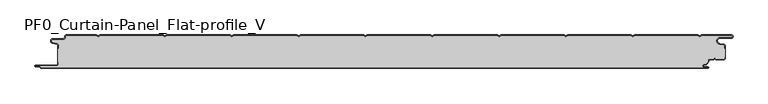
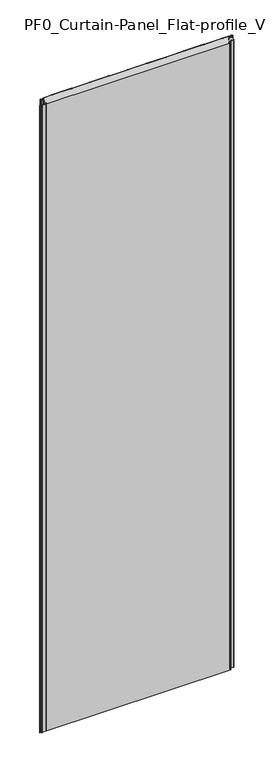
"""IFC4 building model written with IfcOpenShell, lengths in millimetres: plate geometry, PF0_Curtain-Panel_Flat-profile_V."""

from ifc_helpers import new_model, si_unit, point, frame, frame_2d, origin, origin_with_axes, place, context, project, spatial, polyline, circle_curve, trimmed, segment, composite_curve, outline, extrude, source, transform, mapped, element, save
from ifc_brep_helpers import plane_surface, cylinder_surface, revolved_surface, advanced_brep


def pf0_curtain_panel_flat_profile_v_b3a8afa6(model_context):
    return source(origin(), model_context, "Body", "SolidModel", [
        advanced_brep(
        [(-500.0, -15.878557, 3500.0), (-500.0, -20.0, 3500.0), (-499.2, -20.0, 3500.0), (-499.2, -15.878557, 3500.0), (-501.370137, -13.1503208, 3500.0), (-507.529863, -11.728236, 3500.0), (-506.9, -6.2, 3500.0), (-491.4, -6.2, 3500.0), (-488.6, -3.4, 3500.0), (-488.6, -2.0, 3500.0), (-487.4, -0.8, 3500.0), (-442.3143588, -0.8, 3500.0), (-439.4, -2.482606, 3500.0), (-436.4856412, -0.8, 3500.0), (-342.3143588, -0.8, 3500.0), (-339.4, -2.482606, 3500.0), (-336.4856412, -0.8, 3500.0), (-242.3143588, -0.8, 3500.0), (-239.4, -2.482606, 3500.0), (-236.4856412, -0.8, 3500.0), (-142.3143588, -0.8, 3500.0), (-139.4, -2.482606, 3500.0), (-136.4856412, -0.8, 3500.0), (-42.3143588, -0.8, 3500.0), (-39.4, -2.482606, 3500.0), (-36.4856412, -0.8, 3500.0), (57.6856412, -0.8, 3500.0), (60.6, -2.482606, 3500.0), (63.5143588, -0.8, 3500.0), (157.6856412, -0.8, 3500.0), (160.6, -2.482606, 3500.0), (163.5143588, -0.8, 3500.0), (257.6856412, -0.8, 3500.0), (260.6, -2.482606, 3500.0), (263.5143588, -0.8, 3500.0), (357.6856412, -0.8, 3500.0), (360.6, -2.482606, 3500.0), (363.5143588, -0.8, 3500.0), (457.6856412, -0.8, 3500.0), (460.6, -2.482606, 3500.0), (463.5143588, -0.8, 3500.0), (508.1, -0.8, 3500.0), (508.1, -4.2, 3500.0), (491.1, -4.2, 3500.0), (490.2664884, -13.7270771, 3500.0), (496.7125669, -14.8636953, 3500.0), (498.2, -16.6363492, 3500.0), (498.2, -20.0, 3500.0), (499.0, -20.0, 3500.0), (499.0, -16.6363492, 3500.0), (496.8514855, -14.0758491, 3500.0), (490.405407, -12.939231, 3500.0), (491.1, -5.0, 3500.0), (508.1, -5.0, 3500.0), (510.6, -2.5, 3500.0), (508.1, 0.0, 3500.0), (463.2999995, 0.0, 3500.0), (460.6, -1.5588455, 3500.0), (457.9000005, 0.0, 3500.0), (363.2999995, 0.0, 3500.0), (360.6, -1.5588455, 3500.0), (357.9000005, 0.0, 3500.0), (263.2999995, 0.0, 3500.0), (260.6, -1.5588455, 3500.0), (257.9000005, 0.0, 3500.0), (163.2999995, 0.0, 3500.0), (160.6, -1.5588455, 3500.0), (157.9000005, 0.0, 3500.0), (63.2999995, 0.0, 3500.0), (60.6, -1.5588455, 3500.0), (57.9000005, 0.0, 3500.0), (-36.7000005, 0.0, 3500.0), (-39.4, -1.5588455, 3500.0), (-42.0999995, 0.0, 3500.0), (-136.7000005, 0.0, 3500.0), (-139.4, -1.5588455, 3500.0), (-142.0999995, 0.0, 3500.0), (-236.7000005, 0.0, 3500.0), (-239.4, -1.5588455, 3500.0), (-242.0999995, 0.0, 3500.0), (-336.7000005, 0.0, 3500.0), (-339.4, -1.5588455, 3500.0), (-342.0999995, 0.0, 3500.0), (-436.7000005, 0.0, 3500.0), (-439.4, -1.5588455, 3500.0), (-442.0999995, 0.0, 3500.0), (-487.4, 0.0, 3500.0), (-489.4, -2.0, 3500.0), (-489.4, -3.4, 3500.0), (-491.4, -5.4, 3500.0), (-506.9, -5.4, 3500.0), (-507.7098239, -12.5077322, 3500.0), (-501.5500979, -13.929817, 3500.0), (-500.0, -15.878557, 0.0), (-501.5500978, -13.9298169, 0.0), (-507.7098239, -12.507732, 0.0), (-506.9, -5.4, 0.0), (-491.4, -5.4, 0.0), (-489.4, -3.4, 0.0), (-489.4, -2.0, 0.0), (-487.4, 0.0, 0.0), (-442.0999995, 0.0, 0.0), (-439.4, -1.5588455, 0.0), (-436.7000005, 0.0, 0.0), (-342.0999995, 0.0, 0.0), (-339.4, -1.5588455, 0.0), (-336.7000005, 0.0, 0.0), (-242.0999995, 0.0, 0.0), (-239.4, -1.5588455, 0.0), (-236.7000005, 0.0, 0.0), (-142.0999995, 0.0, 0.0), (-139.4, -1.5588455, 0.0), (-136.7000005, 0.0, 0.0), (-42.0999995, 0.0, 0.0), (-39.4, -1.5588455, 0.0), (-36.7000005, 0.0, 0.0), (57.9000005, 0.0, 0.0), (60.6, -1.5588455, 0.0), (63.2999995, 0.0, 0.0), (157.9000005, 0.0, 0.0), (160.6, -1.5588455, 0.0), (163.2999995, 0.0, 0.0), (257.9000005, 0.0, 0.0), (260.6, -1.5588455, 0.0), (263.2999995, 0.0, 0.0), (357.9000005, 0.0, 0.0), (360.6, -1.5588455, 0.0), (363.2999995, 0.0, 0.0), (457.9000005, 0.0, 0.0), (460.6, -1.5588455, 0.0), (463.2999995, 0.0, 0.0), (508.1, 0.0, 0.0), (510.6, -2.5, 0.0), (508.1, -5.0, 0.0), (491.1, -5.0, 0.0), (490.405407, -12.939231, 0.0), (496.8514855, -14.0758491, 0.0), (499.0, -16.6363492, 0.0), (499.0, -20.0, 0.0), (498.2, -20.0, 0.0), (498.2, -16.6363492, 0.0), (496.7125669, -14.8636953, 0.0), (490.2664884, -13.7270772, 0.0), (491.1, -4.2, 0.0), (508.1, -4.2, 0.0), (508.1, -0.8, 0.0), (463.5143588, -0.8, 0.0), (460.6, -2.482606, 0.0), (457.6856412, -0.8, 0.0), (363.5143588, -0.8, 0.0), (360.6, -2.482606, 0.0), (357.6856412, -0.8, 0.0), (263.5143588, -0.8, 0.0), (260.6, -2.482606, 0.0), (257.6856412, -0.8, 0.0), (163.5143588, -0.8, 0.0), (160.6, -2.482606, 0.0), (157.6856412, -0.8, 0.0), (63.5143588, -0.8, 0.0), (60.6, -2.482606, 0.0), (57.6856412, -0.8, 0.0), (-36.4856412, -0.8, 0.0), (-39.4, -2.482606, 0.0), (-42.3143588, -0.8, 0.0), (-136.4856412, -0.8, 0.0), (-139.4, -2.482606, 0.0), (-142.3143588, -0.8, 0.0), (-236.4856412, -0.8, 0.0), (-239.4, -2.482606, 0.0), (-242.3143588, -0.8, 0.0), (-336.4856412, -0.8, 0.0), (-339.4, -2.482606, 0.0), (-342.3143588, -0.8, 0.0), (-436.4856412, -0.8, 0.0), (-439.4, -2.482606, 0.0), (-442.3143588, -0.8, 0.0), (-487.4, -0.8, 0.0), (-488.6, -2.0, 0.0), (-488.6, -3.4, 0.0), (-491.4, -6.2, 0.0), (-506.9, -6.2, 0.0), (-507.529863, -11.7282362, 0.0), (-501.370137, -13.150321, 0.0), (-499.2, -15.878557, 0.0), (-499.2, -20.0, 0.0), (-500.0, -20.0, 0.0)],
        [
            (0, 1),
            (1, 2),
            (2, 3),
            (3, 4, circle_curve(frame((-502.0, -15.878557, 3500.0), z_axis=(0.0, 0.0, 1.0), x_axis=(1.0, 0.0, 0.0)), 2.8)),
            (4, 5),
            (5, 6, circle_curve(frame((-506.9, -9.0, 3500.0), z_axis=(0.0, 0.0, -1.0), x_axis=(1.0, 0.0, 0.0)), 2.8)),
            (6, 7),
            (7, 8, circle_curve(frame((-491.4, -3.4, 3500.0), z_axis=(0.0, 0.0, 1.0), x_axis=(1.0, 0.0, 0.0)), 2.8)),
            (8, 9),
            (9, 10, circle_curve(frame((-487.4, -2.0, 3500.0), z_axis=(0.0, 0.0, -1.0), x_axis=(1.0, 0.0, 0.0)), 1.2)),
            (10, 11),
            (11, 12),
            (12, 13),
            (13, 14),
            (14, 15),
            (15, 16),
            (16, 17),
            (17, 18),
            (18, 19),
            (19, 20),
            (20, 21),
            (21, 22),
            (22, 23),
            (23, 24),
            (24, 25),
            (25, 26),
            (26, 27),
            (27, 28),
            (28, 29),
            (29, 30),
            (30, 31),
            (31, 32),
            (32, 33),
            (33, 34),
            (34, 35),
            (35, 36),
            (36, 37),
            (37, 38),
            (38, 39),
            (39, 40),
            (40, 41),
            (41, 42, circle_curve(frame((508.1, -2.5, 3500.0), z_axis=(0.0, 0.0, -1.0), x_axis=(1.0, 0.0, 0.0)), 1.7)),
            (42, 43),
            (43, 44, circle_curve(frame((491.1, -9.0, 3500.0), z_axis=(0.0, 0.0, 1.0), x_axis=(1.0, 0.0, 0.0)), 4.8)),
            (44, 45),
            (45, 46, circle_curve(frame((496.4, -16.6363492, 3500.0), z_axis=(0.0, 0.0, -1.0), x_axis=(1.0, 0.0, 0.0)), 1.8)),
            (46, 47),
            (47, 48),
            (48, 49),
            (49, 50, circle_curve(frame((496.4, -16.6363492, 3500.0), z_axis=(0.0, 0.0, 1.0), x_axis=(1.0, 0.0, 0.0)), 2.6)),
            (50, 51),
            (51, 52, circle_curve(frame((491.1, -9.0, 3500.0), z_axis=(0.0, 0.0, -1.0), x_axis=(1.0, 0.0, 0.0)), 4.0)),
            (52, 53),
            (53, 54, circle_curve(frame((508.1, -2.5, 3500.0), z_axis=(0.0, 0.0, 1.0), x_axis=(1.0, 0.0, 0.0)), 2.5)),
            (54, 55, circle_curve(frame((508.1, -2.5, 3500.0), z_axis=(0.0, 0.0, 1.0), x_axis=(1.0, 0.0, 0.0)), 2.5)),
            (55, 56),
            (56, 57),
            (57, 58),
            (58, 59),
            (59, 60),
            (60, 61),
            (61, 62),
            (62, 63),
            (63, 64),
            (64, 65),
            (65, 66),
            (66, 67),
            (67, 68),
            (68, 69),
            (69, 70),
            (70, 71),
            (71, 72),
            (72, 73),
            (73, 74),
            (74, 75),
            (75, 76),
            (76, 77),
            (77, 78),
            (78, 79),
            (79, 80),
            (80, 81),
            (81, 82),
            (82, 83),
            (83, 84),
            (84, 85),
            (85, 86),
            (86, 87, circle_curve(frame((-487.4, -2.0, 3500.0), z_axis=(0.0, 0.0, 1.0), x_axis=(1.0, 0.0, 0.0)), 2.0)),
            (87, 88),
            (88, 89, circle_curve(frame((-491.4, -3.4, 3500.0), z_axis=(0.0, 0.0, -1.0), x_axis=(1.0, 0.0, 0.0)), 2.0)),
            (89, 90),
            (90, 91, circle_curve(frame((-506.9, -9.0, 3500.0), z_axis=(0.0, 0.0, 1.0), x_axis=(1.0, 0.0, 0.0)), 3.6)),
            (91, 92),
            (92, 0, circle_curve(frame((-502.0, -15.878557, 3500.0), z_axis=(0.0, 0.0, -1.0), x_axis=(1.0, 0.0, 0.0)), 2.0)),
            (93, 94, circle_curve(frame((-502.0, -15.878557, 0.0), z_axis=(0.0, 0.0, 1.0), x_axis=(1.0, 0.0, 0.0)), 2.0)),
            (94, 95),
            (95, 96, circle_curve(frame((-506.9, -9.0, 0.0), z_axis=(0.0, 0.0, -1.0), x_axis=(1.0, 0.0, 0.0)), 3.6)),
            (96, 97),
            (97, 98, circle_curve(frame((-491.4, -3.4, 0.0), z_axis=(0.0, 0.0, 1.0), x_axis=(1.0, 0.0, 0.0)), 2.0)),
            (98, 99),
            (99, 100, circle_curve(frame((-487.4, -2.0, 0.0), z_axis=(0.0, 0.0, -1.0), x_axis=(1.0, 0.0, 0.0)), 2.0)),
            (100, 101),
            (101, 102),
            (102, 103),
            (103, 104),
            (104, 105),
            (105, 106),
            (106, 107),
            (107, 108),
            (108, 109),
            (109, 110),
            (110, 111),
            (111, 112),
            (112, 113),
            (113, 114),
            (114, 115),
            (115, 116),
            (116, 117),
            (117, 118),
            (118, 119),
            (119, 120),
            (120, 121),
            (121, 122),
            (122, 123),
            (123, 124),
            (124, 125),
            (125, 126),
            (126, 127),
            (127, 128),
            (128, 129),
            (129, 130),
            (130, 131),
            (131, 132, circle_curve(frame((508.1, -2.5, 0.0), z_axis=(0.0, 0.0, -1.0), x_axis=(1.0, 0.0, 0.0)), 2.5)),
            (132, 133, circle_curve(frame((508.1, -2.5, 0.0), z_axis=(0.0, 0.0, -1.0), x_axis=(1.0, 0.0, 0.0)), 2.5)),
            (133, 134),
            (134, 135, circle_curve(frame((491.1, -9.0, 0.0), z_axis=(0.0, 0.0, 1.0), x_axis=(1.0, 0.0, 0.0)), 4.0)),
            (135, 136),
            (136, 137, circle_curve(frame((496.4, -16.6363492, 0.0), z_axis=(0.0, 0.0, -1.0), x_axis=(1.0, 0.0, 0.0)), 2.6)),
            (137, 138),
            (138, 139),
            (139, 140),
            (140, 141, circle_curve(frame((496.4, -16.6363492, 0.0), z_axis=(0.0, 0.0, 1.0), x_axis=(1.0, 0.0, 0.0)), 1.8)),
            (141, 142),
            (142, 143, circle_curve(frame((491.1, -9.0, 0.0), z_axis=(0.0, 0.0, -1.0), x_axis=(1.0, 0.0, 0.0)), 4.8)),
            (143, 144),
            (144, 145, circle_curve(frame((508.1, -2.5, 0.0), z_axis=(0.0, 0.0, 1.0), x_axis=(1.0, 0.0, 0.0)), 1.7)),
            (145, 146),
            (146, 147),
            (147, 148),
            (148, 149),
            (149, 150),
            (150, 151),
            (151, 152),
            (152, 153),
            (153, 154),
            (154, 155),
            (155, 156),
            (156, 157),
            (157, 158),
            (158, 159),
            (159, 160),
            (160, 161),
            (161, 162),
            (162, 163),
            (163, 164),
            (164, 165),
            (165, 166),
            (166, 167),
            (167, 168),
            (168, 169),
            (169, 170),
            (170, 171),
            (171, 172),
            (172, 173),
            (173, 174),
            (174, 175),
            (175, 176),
            (176, 177, circle_curve(frame((-487.4, -2.0, 0.0), z_axis=(0.0, 0.0, 1.0), x_axis=(1.0, 0.0, 0.0)), 1.2)),
            (177, 178),
            (178, 179, circle_curve(frame((-491.4, -3.4, 0.0), z_axis=(0.0, 0.0, -1.0), x_axis=(1.0, 0.0, 0.0)), 2.8)),
            (179, 180),
            (180, 181, circle_curve(frame((-506.9, -9.0, 0.0), z_axis=(0.0, 0.0, 1.0), x_axis=(1.0, 0.0, 0.0)), 2.8)),
            (181, 182),
            (182, 183, circle_curve(frame((-502.0, -15.878557, 0.0), z_axis=(0.0, 0.0, -1.0), x_axis=(1.0, 0.0, 0.0)), 2.8)),
            (183, 184),
            (184, 185),
            (185, 93),
            (0, 93),
            (185, 1),
            (184, 2),
            (183, 3),
            (182, 4),
            (181, 5),
            (180, 6),
            (179, 7),
            (178, 8),
            (177, 9),
            (176, 10),
            (175, 11),
            (174, 12),
            (173, 13),
            (172, 14),
            (171, 15),
            (170, 16),
            (169, 17),
            (168, 18),
            (167, 19),
            (166, 20),
            (165, 21),
            (164, 22),
            (163, 23),
            (162, 24),
            (161, 25),
            (160, 26),
            (159, 27),
            (158, 28),
            (157, 29),
            (156, 30),
            (155, 31),
            (154, 32),
            (153, 33),
            (152, 34),
            (151, 35),
            (150, 36),
            (149, 37),
            (148, 38),
            (147, 39),
            (146, 40),
            (145, 41),
            (144, 42),
            (143, 43),
            (142, 44),
            (141, 45),
            (140, 46),
            (139, 47),
            (138, 48),
            (137, 49),
            (136, 50),
            (135, 51),
            (134, 52),
            (133, 53),
            (131, 55),
            (56, 130),
            (129, 57),
            (128, 58),
            (127, 59),
            (126, 60),
            (125, 61),
            (124, 62),
            (123, 63),
            (122, 64),
            (121, 65),
            (120, 66),
            (119, 67),
            (118, 68),
            (117, 69),
            (116, 70),
            (115, 71),
            (114, 72),
            (113, 73),
            (112, 74),
            (111, 75),
            (110, 76),
            (109, 77),
            (108, 78),
            (107, 79),
            (106, 80),
            (105, 81),
            (104, 82),
            (103, 83),
            (102, 84),
            (101, 85),
            (100, 86),
            (99, 87),
            (98, 88),
            (97, 89),
            (96, 90),
            (95, 91),
            (94, 92),
        ],
        [
            plane_surface(frame((-500.0, 0.0, 3500.0), z_axis=(0.0, 0.0, 1.0), x_axis=(0.0, 1.0, 0.0))),
            plane_surface(frame((-500.0, 0.0, 0.0), z_axis=(0.0, 0.0, -1.0), x_axis=(0.0, 1.0, 0.0))),
            plane_surface(frame((-500.0, -15.878557, 3500.0), z_axis=(-1.0, 0.0, 0.0), x_axis=(0.0, 0.0, -1.0))),
            plane_surface(frame((-500.0, -20.0, 3500.0), z_axis=(0.0, -1.0, 0.0), x_axis=(0.0, 0.0, -1.0))),
            plane_surface(frame((-499.2, -20.0, 3500.0), z_axis=(1.0, 0.0, 0.0), x_axis=(0.0, 0.0, -1.0))),
            cylinder_surface(frame((-502.0, -15.878557, 3500.0), z_axis=(0.0, 0.0, 1.0), x_axis=(1.0, 0.0, 0.0)), 2.8),
            plane_surface(frame((-501.370137, -13.150321, 3500.0), z_axis=(0.22495108446242484, 0.9743700578318174, 0.0), x_axis=(0.0, 0.0, -1.0))),
            revolved_surface(polyline([(-504.09999999999997, -9.0, 0.0), (-504.09999999999997, -9.0, 3500.0)]), (-506.9, -9.0, 3500.0), (0.0, 0.0, -1.0)),
            plane_surface(frame((-506.9, -6.2, 3500.0), z_axis=(0.0, -1.0, 0.0), x_axis=(0.0, 0.0, -1.0))),
            cylinder_surface(frame((-491.4, -3.4, 3500.0), z_axis=(0.0, 0.0, 1.0), x_axis=(1.0, 0.0, 0.0)), 2.8),
            plane_surface(frame((-488.6, -3.4, 3500.0), z_axis=(1.0, 0.0, 0.0), x_axis=(0.0, 0.0, -1.0))),
            revolved_surface(polyline([(-486.2, -2.0, 0.0), (-486.2, -2.0, 3500.0)]), (-487.4, -2.0, 3500.0), (0.0, 0.0, -1.0)),
            plane_surface(frame((-487.4, -0.8, 3500.0), z_axis=(0.0, -1.0, 0.0), x_axis=(0.0, 0.0, -1.0))),
            plane_surface(frame((-442.3143588, -0.8, 3500.0), z_axis=(-0.5000000299313342, -0.8660253865035741, 0.0), x_axis=(0.0, 0.0, -1.0))),
            plane_surface(frame((-439.4, -2.482606, 3500.0), z_axis=(0.5000000299313233, -0.8660253865035805, 0.0), x_axis=(0.0, 0.0, -1.0))),
            plane_surface(frame((-436.4856412, -0.8, 3500.0), z_axis=(0.0, -1.0, 0.0), x_axis=(0.0, 0.0, -1.0))),
            plane_surface(frame((-342.3143588, -0.8, 3500.0), z_axis=(-0.5000000299313346, -0.8660253865035739, 0.0), x_axis=(0.0, 0.0, -1.0))),
            plane_surface(frame((-339.4, -2.482606, 3500.0), z_axis=(0.5000000299313251, -0.8660253865035794, 0.0), x_axis=(0.0, 0.0, -1.0))),
            plane_surface(frame((-336.4856412, -0.8, 3500.0), z_axis=(0.0, -1.0, 0.0), x_axis=(0.0, 0.0, -1.0))),
            plane_surface(frame((-242.3143588, -0.8, 3500.0), z_axis=(-0.5000000299313346, -0.866025386503574, 0.0), x_axis=(0.0, 0.0, -1.0))),
            plane_surface(frame((-239.4, -2.482606, 3500.0), z_axis=(0.5000000299313251, -0.8660253865035794, 0.0), x_axis=(0.0, 0.0, -1.0))),
            plane_surface(frame((-236.4856412, -0.8, 3500.0), z_axis=(0.0, -1.0, 0.0), x_axis=(0.0, 0.0, -1.0))),
            plane_surface(frame((-142.3143588, -0.8, 3500.0), z_axis=(-0.5000000299313349, -0.8660253865035739, 0.0), x_axis=(0.0, 0.0, -1.0))),
            plane_surface(frame((-139.4, -2.482606, 3500.0), z_axis=(0.5000000299313233, -0.8660253865035805, 0.0), x_axis=(0.0, 0.0, -1.0))),
            plane_surface(frame((-136.4856412, -0.8, 3500.0), z_axis=(0.0, -1.0, 0.0), x_axis=(0.0, 0.0, -1.0))),
            plane_surface(frame((-42.3143588, -0.8, 3500.0), z_axis=(-0.5000000299313346, -0.866025386503574, 0.0), x_axis=(0.0, 0.0, -1.0))),
            plane_surface(frame((-39.4, -2.482606, 3500.0), z_axis=(0.5000000299313239, -0.8660253865035802, 0.0), x_axis=(0.0, 0.0, -1.0))),
            plane_surface(frame((-36.4856412, -0.8, 3500.0), z_axis=(0.0, -1.0, 0.0), x_axis=(0.0, 0.0, -1.0))),
            plane_surface(frame((57.6856412, -0.8, 3500.0), z_axis=(-0.5000000299313347, -0.8660253865035739, 0.0), x_axis=(0.0, 0.0, -1.0))),
            plane_surface(frame((60.6, -2.482606, 3500.0), z_axis=(0.5000000299313232, -0.8660253865035805, 0.0), x_axis=(0.0, 0.0, -1.0))),
            plane_surface(frame((63.5143588, -0.8, 3500.0), z_axis=(0.0, -1.0, 0.0), x_axis=(0.0, 0.0, -1.0))),
            plane_surface(frame((157.6856412, -0.8, 3500.0), z_axis=(-0.5000000299313346, -0.866025386503574, 0.0), x_axis=(0.0, 0.0, -1.0))),
            plane_surface(frame((160.6, -2.482606, 3500.0), z_axis=(0.5000000299313262, -0.8660253865035787, 0.0), x_axis=(0.0, 0.0, -1.0))),
            plane_surface(frame((163.5143588, -0.8, 3500.0), z_axis=(0.0, -1.0, 0.0), x_axis=(0.0, 0.0, -1.0))),
            plane_surface(frame((257.6856412, -0.8, 3500.0), z_axis=(-0.5000000299313346, -0.8660253865035739, 0.0), x_axis=(0.0, 0.0, -1.0))),
            plane_surface(frame((260.6, -2.482606, 3500.0), z_axis=(0.5000000299313263, -0.8660253865035787, 0.0), x_axis=(0.0, 0.0, -1.0))),
            plane_surface(frame((263.5143588, -0.8, 3500.0), z_axis=(0.0, -1.0, 0.0), x_axis=(0.0, 0.0, -1.0))),
            plane_surface(frame((357.6856412, -0.8, 3500.0), z_axis=(-0.5000000299313346, -0.8660253865035739, 0.0), x_axis=(0.0, 0.0, -1.0))),
            plane_surface(frame((360.6, -2.482606, 3500.0), z_axis=(0.5000000299313255, -0.8660253865035792, 0.0), x_axis=(0.0, 0.0, -1.0))),
            plane_surface(frame((363.5143588, -0.8, 3500.0), z_axis=(0.0, -1.0, 0.0), x_axis=(0.0, 0.0, -1.0))),
            plane_surface(frame((457.6856412, -0.8, 3500.0), z_axis=(-0.5000000299313347, -0.8660253865035739, 0.0), x_axis=(0.0, 0.0, -1.0))),
            plane_surface(frame((460.6, -2.482606, 3500.0), z_axis=(0.5000000299313263, -0.8660253865035787, 0.0), x_axis=(0.0, 0.0, -1.0))),
            plane_surface(frame((463.5143588, -0.8, 3500.0), z_axis=(0.0, -1.0, 0.0), x_axis=(0.0, 0.0, -1.0))),
            revolved_surface(polyline([(509.8, -2.5, 0.0), (509.8, -2.5, 3500.0)]), (508.1, -2.5, 3500.0), (0.0, 0.0, -1.0)),
            plane_surface(frame((508.1, -4.2, 3500.0), z_axis=(0.0, 1.0, 0.0), x_axis=(0.0, 0.0, -1.0))),
            cylinder_surface(frame((491.1, -9.0, 3500.0), z_axis=(0.0, 0.0, 1.0), x_axis=(1.0, 0.0, 0.0)), 4.8),
            plane_surface(frame((490.2664884, -13.7270772, 3500.0), z_axis=(-0.17364825602592485, -0.9848077391954, 0.0), x_axis=(0.0, 0.0, -1.0))),
            revolved_surface(polyline([(498.2, -16.6363492, 0.0), (498.2, -16.6363492, 3500.0)]), (496.4, -16.6363492, 3500.0), (0.0, 0.0, -1.0)),
            plane_surface(frame((498.2, -16.6363492, 3500.0), z_axis=(-1.0, 0.0, 0.0), x_axis=(0.0, 0.0, -1.0))),
            plane_surface(frame((498.2, -20.0, 3500.0), z_axis=(0.0, -1.0, 0.0), x_axis=(0.0, 0.0, -1.0))),
            plane_surface(frame((499.0, -20.0, 3500.0), z_axis=(1.0, 0.0, 0.0), x_axis=(0.0, 0.0, -1.0))),
            cylinder_surface(frame((496.4, -16.6363492, 3500.0), z_axis=(0.0, 0.0, 1.0), x_axis=(1.0, 0.0, 0.0)), 2.6),
            plane_surface(frame((496.8514855, -14.0758491, 3500.0), z_axis=(0.1736482560259256, 0.9848077391953998, 0.0), x_axis=(0.0, 0.0, -1.0))),
            revolved_surface(polyline([(495.1, -9.0, 0.0), (495.1, -9.0, 3500.0)]), (491.1, -9.0, 3500.0), (0.0, 0.0, -1.0)),
            plane_surface(frame((491.1, -5.0, 3500.0), z_axis=(0.0, -1.0, 0.0), x_axis=(0.0, 0.0, -1.0))),
            cylinder_surface(frame((508.1, -2.5, 3500.0), z_axis=(0.0, 0.0, 1.0), x_axis=(1.0, 0.0, 0.0)), 2.5),
            plane_surface(frame((463.2999995, 0.0, 3500.0), z_axis=(-0.5000000299313235, 0.8660253865035803, 0.0), x_axis=(0.0, 0.0, -1.0))),
            plane_surface(frame((460.6, -1.5588455, 3500.0), z_axis=(0.5000000299313346, 0.8660253865035739, 0.0), x_axis=(0.0, 0.0, -1.0))),
            plane_surface(frame((457.9000005, 0.0, 3500.0), z_axis=(0.0, 1.0, 0.0), x_axis=(0.0, 0.0, -1.0))),
            plane_surface(frame((363.2999995, 0.0, 3500.0), z_axis=(-0.5000000299313235, 0.8660253865035803, 0.0), x_axis=(0.0, 0.0, -1.0))),
            plane_surface(frame((360.6, -1.5588455, 3500.0), z_axis=(0.5000000299313346, 0.8660253865035739, 0.0), x_axis=(0.0, 0.0, -1.0))),
            plane_surface(frame((357.9000005, 0.0, 3500.0), z_axis=(0.0, 1.0, 0.0), x_axis=(0.0, 0.0, -1.0))),
            plane_surface(frame((263.2999995, 0.0, 3500.0), z_axis=(-0.5000000299313235, 0.8660253865035803, 0.0), x_axis=(0.0, 0.0, -1.0))),
            plane_surface(frame((260.6, -1.5588455, 3500.0), z_axis=(0.5000000299313346, 0.8660253865035739, 0.0), x_axis=(0.0, 0.0, -1.0))),
            plane_surface(frame((257.9000005, 0.0, 3500.0), z_axis=(0.0, 1.0, 0.0), x_axis=(0.0, 0.0, -1.0))),
            plane_surface(frame((163.2999995, 0.0, 3500.0), z_axis=(-0.5000000299313235, 0.8660253865035803, 0.0), x_axis=(0.0, 0.0, -1.0))),
            plane_surface(frame((160.6, -1.5588455, 3500.0), z_axis=(0.5000000299313346, 0.8660253865035739, 0.0), x_axis=(0.0, 0.0, -1.0))),
            plane_surface(frame((157.9000005, 0.0, 3500.0), z_axis=(0.0, 1.0, 0.0), x_axis=(0.0, 0.0, -1.0))),
            plane_surface(frame((63.2999995, 0.0, 3500.0), z_axis=(-0.5000000299313235, 0.8660253865035803, 0.0), x_axis=(0.0, 0.0, -1.0))),
            plane_surface(frame((60.6, -1.5588455, 3500.0), z_axis=(0.5000000299313346, 0.8660253865035739, 0.0), x_axis=(0.0, 0.0, -1.0))),
            plane_surface(frame((57.9000005, 0.0, 3500.0), z_axis=(0.0, 1.0, 0.0), x_axis=(0.0, 0.0, -1.0))),
            plane_surface(frame((-36.7000005, 0.0, 3500.0), z_axis=(-0.5000000299313235, 0.8660253865035803, 0.0), x_axis=(0.0, 0.0, -1.0))),
            plane_surface(frame((-39.4, -1.5588455, 3500.0), z_axis=(0.5000000299313346, 0.8660253865035739, 0.0), x_axis=(0.0, 0.0, -1.0))),
            plane_surface(frame((-42.0999995, 0.0, 3500.0), z_axis=(0.0, 1.0, 0.0), x_axis=(0.0, 0.0, -1.0))),
            plane_surface(frame((-136.7000005, 0.0, 3500.0), z_axis=(-0.5000000299313235, 0.8660253865035803, 0.0), x_axis=(0.0, 0.0, -1.0))),
            plane_surface(frame((-139.4, -1.5588455, 3500.0), z_axis=(0.5000000299313346, 0.8660253865035739, 0.0), x_axis=(0.0, 0.0, -1.0))),
            plane_surface(frame((-142.0999995, 0.0, 3500.0), z_axis=(0.0, 1.0, 0.0), x_axis=(0.0, 0.0, -1.0))),
            plane_surface(frame((-236.7000005, 0.0, 3500.0), z_axis=(-0.5000000299313235, 0.8660253865035803, 0.0), x_axis=(0.0, 0.0, -1.0))),
            plane_surface(frame((-239.4, -1.5588455, 3500.0), z_axis=(0.5000000299313346, 0.8660253865035739, 0.0), x_axis=(0.0, 0.0, -1.0))),
            plane_surface(frame((-242.0999995, 0.0, 3500.0), z_axis=(0.0, 1.0, 0.0), x_axis=(0.0, 0.0, -1.0))),
            plane_surface(frame((-336.7000005, 0.0, 3500.0), z_axis=(-0.5000000299313235, 0.8660253865035803, 0.0), x_axis=(0.0, 0.0, -1.0))),
            plane_surface(frame((-339.4, -1.5588455, 3500.0), z_axis=(0.5000000299313346, 0.8660253865035739, 0.0), x_axis=(0.0, 0.0, -1.0))),
            plane_surface(frame((-342.0999995, 0.0, 3500.0), z_axis=(0.0, 1.0, 0.0), x_axis=(0.0, 0.0, -1.0))),
            plane_surface(frame((-436.7000005, 0.0, 3500.0), z_axis=(-0.5000000299313235, 0.8660253865035803, 0.0), x_axis=(0.0, 0.0, -1.0))),
            plane_surface(frame((-439.4, -1.5588455, 3500.0), z_axis=(0.5000000299313346, 0.8660253865035739, 0.0), x_axis=(0.0, 0.0, -1.0))),
            plane_surface(frame((-442.0999995, 0.0, 3500.0), z_axis=(0.0, 1.0, 0.0), x_axis=(0.0, 0.0, -1.0))),
            cylinder_surface(frame((-487.4, -2.0, 3500.0), z_axis=(0.0, 0.0, 1.0), x_axis=(1.0, 0.0, 0.0)), 2.0),
            plane_surface(frame((-489.4, -2.0, 3500.0), z_axis=(-1.0, 0.0, 0.0), x_axis=(0.0, 0.0, -1.0))),
            revolved_surface(polyline([(-489.4, -3.4, 0.0), (-489.4, -3.4, 3500.0)]), (-491.4, -3.4, 3500.0), (0.0, 0.0, -1.0)),
            plane_surface(frame((-491.4, -5.4, 3500.0), z_axis=(0.0, 1.0, 0.0), x_axis=(0.0, 0.0, -1.0))),
            cylinder_surface(frame((-506.9, -9.0, 3500.0), z_axis=(0.0, 0.0, 1.0), x_axis=(1.0, 0.0, 0.0)), 3.6),
            plane_surface(frame((-507.7098239, -12.507732, 3500.0), z_axis=(-0.22495108446242487, -0.9743700578318174, 0.0), x_axis=(0.0, 0.0, -1.0))),
            revolved_surface(polyline([(-500.0, -15.878557, 0.0), (-500.0, -15.878557, 3500.0)]), (-502.0, -15.878557, 3500.0), (0.0, 0.0, -1.0)),
            plane_surface(frame((508.1, 0.0, 3500.0), z_axis=(0.0, 1.0, 0.0), x_axis=(0.0, 0.0, -1.0))),
        ],
        [
            (0, [[1, 2, 3, 4, 5, 6, 7, 8, 9, 10, 11, 12, 13, 14, 15, 16, 17, 18, 19, 20, 21, 22, 23, 24, 25, 26, 27, 28, 29, 30, 31, 32, 33, 34, 35, 36, 37, 38, 39, 40, 41, 42, 43, 44, 45, 46, 47, 48, 49, 50, 51, 52, 53, 54, 55, 56, 57, 58, 59, 60, 61, 62, 63, 64, 65, 66, 67, 68, 69, 70, 71, 72, 73, 74, 75, 76, 77, 78, 79, 80, 81, 82, 83, 84, 85, 86, 87, 88, 89, 90, 91, 92, 93]]),
            (1, [[94, 95, 96, 97, 98, 99, 100, 101, 102, 103, 104, 105, 106, 107, 108, 109, 110, 111, 112, 113, 114, 115, 116, 117, 118, 119, 120, 121, 122, 123, 124, 125, 126, 127, 128, 129, 130, 131, 132, 133, 134, 135, 136, 137, 138, 139, 140, 141, 142, 143, 144, 145, 146, 147, 148, 149, 150, 151, 152, 153, 154, 155, 156, 157, 158, 159, 160, 161, 162, 163, 164, 165, 166, 167, 168, 169, 170, 171, 172, 173, 174, 175, 176, 177, 178, 179, 180, 181, 182, 183, 184, 185, 186]]),
            (2, [[-1, 187, -186, 188]]),
            (3, [[-2, -188, -185, 189]]),
            (4, [[-3, -189, -184, 190]]),
            (5, [[-4, -190, -183, 191]]),
            (6, [[-5, -191, -182, 192]]),
            (7, [[-6, -192, -181, 193]]),
            (8, [[-7, -193, -180, 194]]),
            (9, [[-8, -194, -179, 195]]),
            (10, [[-9, -195, -178, 196]]),
            (11, [[-10, -196, -177, 197]]),
            (12, [[-11, -197, -176, 198]]),
            (13, [[-12, -198, -175, 199]]),
            (14, [[-13, -199, -174, 200]]),
            (15, [[-14, -200, -173, 201]]),
            (16, [[-15, -201, -172, 202]]),
            (17, [[-16, -202, -171, 203]]),
            (18, [[-17, -203, -170, 204]]),
            (19, [[-18, -204, -169, 205]]),
            (20, [[-19, -205, -168, 206]]),
            (21, [[-20, -206, -167, 207]]),
            (22, [[-21, -207, -166, 208]]),
            (23, [[-22, -208, -165, 209]]),
            (24, [[-23, -209, -164, 210]]),
            (25, [[-24, -210, -163, 211]]),
            (26, [[-25, -211, -162, 212]]),
            (27, [[-26, -212, -161, 213]]),
            (28, [[-27, -213, -160, 214]]),
            (29, [[-28, -214, -159, 215]]),
            (30, [[-29, -215, -158, 216]]),
            (31, [[-30, -216, -157, 217]]),
            (32, [[-31, -217, -156, 218]]),
            (33, [[-32, -218, -155, 219]]),
            (34, [[-33, -219, -154, 220]]),
            (35, [[-34, -220, -153, 221]]),
            (36, [[-35, -221, -152, 222]]),
            (37, [[-36, -222, -151, 223]]),
            (38, [[-37, -223, -150, 224]]),
            (39, [[-38, -224, -149, 225]]),
            (40, [[-39, -225, -148, 226]]),
            (41, [[-40, -226, -147, 227]]),
            (42, [[-41, -227, -146, 228]]),
            (43, [[-42, -228, -145, 229]]),
            (44, [[-43, -229, -144, 230]]),
            (45, [[-44, -230, -143, 231]]),
            (46, [[-45, -231, -142, 232]]),
            (47, [[-46, -232, -141, 233]]),
            (48, [[-47, -233, -140, 234]]),
            (49, [[-48, -234, -139, 235]]),
            (50, [[-49, -235, -138, 236]]),
            (51, [[-50, -236, -137, 237]]),
            (52, [[-51, -237, -136, 238]]),
            (53, [[-52, -238, -135, 239]]),
            (54, [[-53, -239, -134, 240]]),
            (55, [[-240, -133, -132, 241, -55, -54]]),
            (56, [[-57, 242, -130, 243]]),
            (57, [[-58, -243, -129, 244]]),
            (58, [[-59, -244, -128, 245]]),
            (59, [[-60, -245, -127, 246]]),
            (60, [[-61, -246, -126, 247]]),
            (61, [[-62, -247, -125, 248]]),
            (62, [[-63, -248, -124, 249]]),
            (63, [[-64, -249, -123, 250]]),
            (64, [[-65, -250, -122, 251]]),
            (65, [[-66, -251, -121, 252]]),
            (66, [[-67, -252, -120, 253]]),
            (67, [[-68, -253, -119, 254]]),
            (68, [[-69, -254, -118, 255]]),
            (69, [[-70, -255, -117, 256]]),
            (70, [[-71, -256, -116, 257]]),
            (71, [[-72, -257, -115, 258]]),
            (72, [[-73, -258, -114, 259]]),
            (73, [[-74, -259, -113, 260]]),
            (74, [[-75, -260, -112, 261]]),
            (75, [[-76, -261, -111, 262]]),
            (76, [[-77, -262, -110, 263]]),
            (77, [[-78, -263, -109, 264]]),
            (78, [[-79, -264, -108, 265]]),
            (79, [[-80, -265, -107, 266]]),
            (80, [[-81, -266, -106, 267]]),
            (81, [[-82, -267, -105, 268]]),
            (82, [[-83, -268, -104, 269]]),
            (83, [[-84, -269, -103, 270]]),
            (84, [[-85, -270, -102, 271]]),
            (85, [[-86, -271, -101, 272]]),
            (86, [[-87, -272, -100, 273]]),
            (87, [[-88, -273, -99, 274]]),
            (88, [[-89, -274, -98, 275]]),
            (89, [[-90, -275, -97, 276]]),
            (90, [[-91, -276, -96, 277]]),
            (91, [[-92, -277, -95, 278]]),
            (92, [[-93, -278, -94, -187]]),
            (93, [[-56, -241, -131, -242]]),
        ],
    ),
        extrude(outline(composite_curve([segment(polyline([(-499.2, -40.0), (-500.0, -40.0), (-500.0, -20.0), (-499.2, -20.0), (-499.2, -15.878557)]), True, "CONTINUOUS"), segment(trimmed(circle_curve(frame_2d((-502.0, -15.878557)), 2.8), [point((-499.2, -15.878557))], [point((-501.370137, -13.1503208))], True, "CARTESIAN"), True, "CONTINUOUS"), segment(polyline([(-501.370137, -13.1503208), (-507.529863, -11.7282362)]), True, "CONTINUOUS"), segment(trimmed(circle_curve(frame_2d((-506.9, -9.0)), 2.8), [point((-507.529863, -11.7282362))], [point((-506.9, -6.2))], False, "CARTESIAN"), True, "CONTINUOUS"), segment(polyline([(-506.9, -6.2), (-491.4, -6.2)]), True, "CONTINUOUS"), segment(trimmed(circle_curve(frame_2d((-491.4, -3.4)), 2.8), [point((-491.4, -6.2))], [point((-488.6, -3.4))], True, "CARTESIAN"), True, "CONTINUOUS"), segment(polyline([(-488.6, -3.4), (-488.6, -2.0)]), True, "CONTINUOUS"), segment(trimmed(circle_curve(frame_2d((-487.4, -2.0)), 1.2), [point((-488.6, -2.0))], [point((-487.4, -0.8))], False, "CARTESIAN"), True, "CONTINUOUS"), segment(polyline([(-487.4, -0.8), (-442.3143588, -0.8), (-439.4, -2.482606), (-436.4856412, -0.8), (-342.3143588, -0.8), (-339.4, -2.482606), (-336.4856412, -0.8), (-242.3143588, -0.8), (-239.4, -2.482606), (-236.4856412, -0.8), (-142.3143588, -0.8), (-139.4, -2.482606), (-136.4856412, -0.8), (-42.3143588, -0.8), (-39.4, -2.482606), (-36.4856412, -0.8), (57.6856412, -0.8), (60.6, -2.482606), (63.5143588, -0.8), (157.6856412, -0.8), (160.6, -2.482606), (163.5143588, -0.8), (257.6856412, -0.8), (260.6, -2.482606), (263.5143588, -0.8), (357.6856412, -0.8), (360.6, -2.482606), (363.5143588, -0.8), (457.6856412, -0.8), (460.6, -2.482606), (463.5143588, -0.8), (508.1, -0.8)]), True, "CONTINUOUS"), segment(trimmed(circle_curve(frame_2d((508.1, -2.5)), 1.7), [point((508.1, -0.8))], [point((508.1, -4.2))], False, "CARTESIAN"), True, "CONTINUOUS"), segment(polyline([(508.1, -4.2), (491.1, -4.2)]), True, "CONTINUOUS"), segment(trimmed(circle_curve(frame_2d((491.1, -9.0)), 4.8), [point((491.1, -4.2))], [point((490.2664884, -13.7270772))], True, "CARTESIAN"), True, "CONTINUOUS"), segment(polyline([(490.2664884, -13.7270772), (496.7125669, -14.8636953)]), True, "CONTINUOUS"), segment(trimmed(circle_curve(frame_2d((496.4, -16.6363492)), 1.8), [point((496.7125669, -14.8636953))], [point((498.2, -16.6363492))], False, "CARTESIAN"), True, "CONTINUOUS"), segment(polyline([(498.2, -16.6363492), (498.2, -20.0), (499.0, -20.0), (499.0, -33.0), (498.2, -33.0), (498.2, -34.4)]), True, "CONTINUOUS"), segment(trimmed(circle_curve(frame_2d((496.4, -34.4)), 1.8), [point((498.2, -34.4))], [point((496.4, -36.2))], False, "CARTESIAN"), True, "CONTINUOUS"), segment(polyline([(496.4, -36.2), (484.8313698, -36.2), (483.0, -34.3686285), (481.1686302, -36.2), (475.0, -36.2)]), True, "CONTINUOUS"), segment(trimmed(circle_curve(frame_2d((475.0, -38.0)), 1.8), [point((475.0, -36.2))], [point((473.2, -38.0))], True, "CARTESIAN"), True, "CONTINUOUS"), segment(polyline([(473.2, -38.0), (473.2, -38.8276204)]), True, "CONTINUOUS"), segment(trimmed(circle_curve(frame_2d((467.8276204, -38.8276204)), 5.3723796), [point((473.2, -38.8276204))], [point((467.8276204, -44.2))], False, "CARTESIAN"), True, "CONTINUOUS"), segment(polyline([(467.8276204, -44.2), (467.0, -44.2)]), True, "CONTINUOUS"), segment(trimmed(circle_curve(frame_2d((467.0, -46.4)), 2.2), [point((467.0, -44.2))], [point((467.0, -48.6))], True, "CARTESIAN"), True, "CONTINUOUS"), segment(polyline([(467.0, -48.6), (472.8891513, -48.6)]), True, "CONTINUOUS"), segment(trimmed(circle_curve(frame_2d((472.8891513, -48.9)), 0.3), [point((472.8891513, -48.6))], [point((472.8891513, -49.2))], False, "CARTESIAN"), True, "CONTINUOUS"), segment(polyline([(472.8891513, -49.2), (-524.4, -49.2)]), True, "CONTINUOUS"), segment(trimmed(circle_curve(frame_2d((-524.4, -48.4)), 0.8), [point((-524.4, -49.2))], [point((-525.2, -48.4))], False, "CARTESIAN"), True, "CONTINUOUS"), segment(trimmed(circle_curve(frame_2d((-526.9, -48.6133333)), 1.7133333), [point((-525.2, -48.4))], [point((-526.9, -46.9))], True, "CARTESIAN"), True, "CONTINUOUS"), segment(polyline([(-526.9, -46.9), (-532.8700312, -46.9)]), True, "CONTINUOUS"), segment(trimmed(circle_curve(frame_2d((-532.8700312, -46.6)), 0.3), [point((-532.8700312, -46.9))], [point((-532.8700312, -46.3))], False, "CARTESIAN"), True, "CONTINUOUS"), segment(polyline([(-532.8700312, -46.3), (-502.0, -46.3)]), True, "CONTINUOUS"), segment(trimmed(circle_curve(frame_2d((-502.0, -43.5)), 2.8), [point((-502.0, -46.3))], [point((-499.2, -43.5))], True, "CARTESIAN"), True, "CONTINUOUS"), segment(polyline([(-499.2, -43.5), (-499.2, -40.0)]), True, "CONTINUOUS")], self_intersect=False)), origin_with_axes(), (0.0, 0.0, 1.0), 3500.0),
        extrude(outline(composite_curve([segment(polyline([(-500.0, -40.0), (-499.2, -40.0), (-499.2, -43.5)]), True, "CONTINUOUS"), segment(trimmed(circle_curve(frame_2d((-502.0, -43.5)), 2.8), [point((-499.2, -43.5))], [point((-502.0, -46.3))], False, "CARTESIAN"), True, "CONTINUOUS"), segment(polyline([(-502.0, -46.3), (-532.8700312, -46.3)]), True, "CONTINUOUS"), segment(trimmed(circle_curve(frame_2d((-532.8700312, -46.6)), 0.3), [point((-532.8700312, -46.3))], [point((-532.8700312, -46.9))], True, "CARTESIAN"), True, "CONTINUOUS"), segment(polyline([(-532.8700312, -46.9), (-526.9, -46.9)]), True, "CONTINUOUS"), segment(trimmed(circle_curve(frame_2d((-526.9, -48.6133333)), 1.7133333), [point((-526.9, -46.9))], [point((-525.2, -48.4))], False, "CARTESIAN"), True, "CONTINUOUS"), segment(trimmed(circle_curve(frame_2d((-524.4, -48.4)), 0.8), [point((-525.2, -48.4))], [point((-524.4, -49.2))], True, "CARTESIAN"), True, "CONTINUOUS"), segment(polyline([(-524.4, -49.2), (472.8891513, -49.2)]), True, "CONTINUOUS"), segment(trimmed(circle_curve(frame_2d((472.8891513, -48.9)), 0.3), [point((472.8891513, -49.2))], [point((472.8891513, -48.6))], True, "CARTESIAN"), True, "CONTINUOUS"), segment(polyline([(472.8891513, -48.6), (467.0, -48.6)]), True, "CONTINUOUS"), segment(trimmed(circle_curve(frame_2d((467.0, -46.4)), 2.2), [point((467.0, -48.6))], [point((467.0, -44.2))], False, "CARTESIAN"), True, "CONTINUOUS"), segment(polyline([(467.0, -44.2), (467.8276204, -44.2)]), True, "CONTINUOUS"), segment(trimmed(circle_curve(frame_2d((467.8276204, -38.8276204)), 5.3723796), [point((467.8276204, -44.2))], [point((473.2, -38.8276204))], True, "CARTESIAN"), True, "CONTINUOUS"), segment(polyline([(473.2, -38.8276204), (473.2, -38.0)]), True, "CONTINUOUS"), segment(trimmed(circle_curve(frame_2d((475.0, -38.0)), 1.8), [point((473.2, -38.0))], [point((475.0, -36.2))], False, "CARTESIAN"), True, "CONTINUOUS"), segment(polyline([(475.0, -36.2), (481.1686302, -36.2), (483.0, -34.3686285), (484.8313698, -36.2), (496.4, -36.2)]), True, "CONTINUOUS"), segment(trimmed(circle_curve(frame_2d((496.4, -34.4)), 1.8), [point((496.4, -36.2))], [point((498.2, -34.4))], True, "CARTESIAN"), True, "CONTINUOUS"), segment(polyline([(498.2, -34.4), (498.2, -33.0), (499.0, -33.0), (499.0, -34.4)]), True, "CONTINUOUS"), segment(trimmed(circle_curve(frame_2d((496.4, -34.4)), 2.6), [point((499.0, -34.4))], [point((496.4, -37.0))], False, "CARTESIAN"), True, "CONTINUOUS"), segment(polyline([(496.4, -37.0), (484.4999988, -37.0), (483.0, -35.4999999), (481.5000012, -37.0), (475.0, -37.0)]), True, "CONTINUOUS"), segment(trimmed(circle_curve(frame_2d((475.0, -38.0)), 1.0), [point((475.0, -37.0))], [point((474.0, -38.0))], True, "CARTESIAN"), True, "CONTINUOUS"), segment(polyline([(474.0, -38.0), (474.0, -38.8276204)]), True, "CONTINUOUS"), segment(trimmed(circle_curve(frame_2d((467.8276204, -38.8276204)), 6.1723796), [point((474.0, -38.8276204))], [point((467.8276204, -45.0))], False, "CARTESIAN"), True, "CONTINUOUS"), segment(polyline([(467.8276204, -45.0), (467.0, -45.0)]), True, "CONTINUOUS"), segment(trimmed(circle_curve(frame_2d((467.0, -46.5)), 1.5), [point((467.0, -45.0))], [point((467.0, -48.0))], True, "CARTESIAN"), True, "CONTINUOUS"), segment(polyline([(467.0, -48.0), (473.0, -48.0)]), True, "CONTINUOUS"), segment(trimmed(circle_curve(frame_2d((473.0, -49.0)), 1.0), [point((473.0, -48.0))], [point((473.0, -50.0))], False, "CARTESIAN"), True, "CONTINUOUS"), segment(polyline([(473.0, -50.0), (-524.4, -50.0)]), True, "CONTINUOUS"), segment(trimmed(circle_curve(frame_2d((-524.4, -48.4)), 1.6), [point((-524.4, -50.0))], [point((-526.0, -48.4))], False, "CARTESIAN"), True, "CONTINUOUS"), segment(trimmed(circle_curve(frame_2d((-526.9, -48.4)), 0.9), [point((-526.0, -48.4))], [point((-526.9, -47.5))], True, "CARTESIAN"), True, "CONTINUOUS"), segment(polyline([(-526.9, -47.5), (-533.0, -47.5)]), True, "CONTINUOUS"), segment(trimmed(circle_curve(frame_2d((-533.0, -46.5)), 1.0), [point((-533.0, -47.5))], [point((-533.0, -45.5))], False, "CARTESIAN"), True, "CONTINUOUS"), segment(polyline([(-533.0, -45.5), (-502.0, -45.5)]), True, "CONTINUOUS"), segment(trimmed(circle_curve(frame_2d((-502.0, -43.5)), 2.0), [point((-502.0, -45.5))], [point((-500.0, -43.5))], True, "CARTESIAN"), True, "CONTINUOUS"), segment(polyline([(-500.0, -43.5), (-500.0, -40.0)]), True, "CONTINUOUS")], self_intersect=False)), origin_with_axes(), (0.0, 0.0, 1.0), 3500.0),
    ])


if __name__ == "__main__":
    model = new_model("IFC4")
    model_context = context("Model", 3, world=origin())
    ifc_project = project(units=[si_unit("LENGTHUNIT", "METRE", prefix="MILLI")], contexts=[model_context])
    site = spatial("IfcSite", under=ifc_project)
    building = spatial("IfcBuilding", under=site)
    placement = place(None, origin())
    pf0_curtain_panel_flat_profile_v_shape = pf0_curtain_panel_flat_profile_v_b3a8afa6(model_context)
    element("IfcPlate", 1, ObjectType="PF0_Curtain-Panel_Flat-profile_V", at=placement, inside=building, context=model_context, shape_type="MappedRepresentation", body=[
        mapped(pf0_curtain_panel_flat_profile_v_shape, transform((0.0, 0.0, 0.0), x_axis=(1.0, 0.0, 0.0), y_axis=(0.0, 1.0, 0.0), z_axis=(0.0, 0.0, 1.0))),
    ])
    save(model, "model.ifc")
